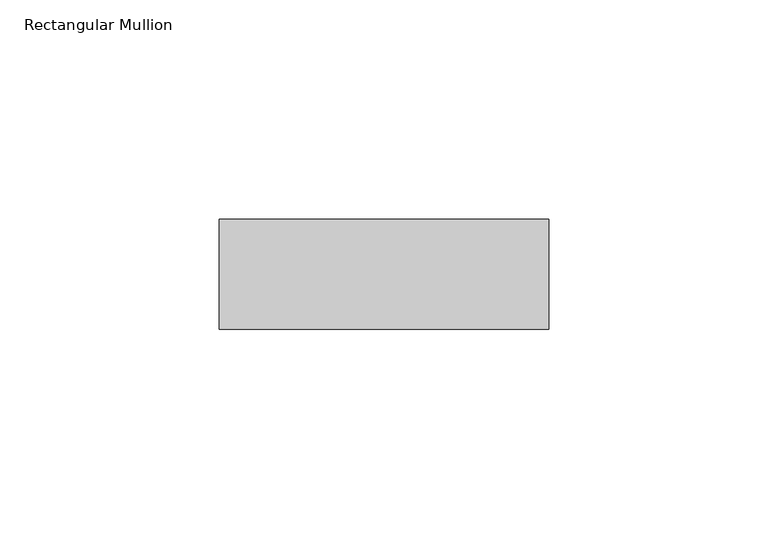
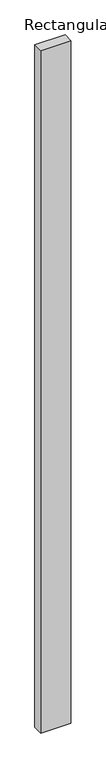
"""IFC4 building model written with IfcOpenShell, lengths in millimetres: member geometry, Rectangular Mullion."""

from ifc_helpers import new_model, si_unit, frame, origin, place, context, project, spatial, polyline, outline, extrude, source, transform, mapped, element, save


def rectangular_mullion_fc813453(model_context):
    return source(origin(), model_context, "Body", "SweptSolid", [
        extrude(outline(polyline([(50.0, -2.5), (50.0, -27.5), (-25.0, -27.5), (-25.0, -2.5), (50.0, -2.5)])), frame((0.0, 0.0, -1791.0), z_axis=(0.0, 0.0, 1.0), x_axis=(1.0, 0.0, 0.0)), (0.0, 0.0, 1.0), 1791.0),
    ])


if __name__ == "__main__":
    model = new_model("IFC4")
    model_context = context("Model", 3, world=origin())
    ifc_project = project(units=[si_unit("LENGTHUNIT", "METRE", prefix="MILLI")], contexts=[model_context])
    site = spatial("IfcSite", under=ifc_project)
    building = spatial("IfcBuilding", under=site)
    placement = place(None, origin())
    rectangular_mullion_shape = rectangular_mullion_fc813453(model_context)
    element("IfcMember", 1, ObjectType="Rectangular Mullion", at=placement, inside=building, context=model_context, shape_type="MappedRepresentation", body=[
        mapped(rectangular_mullion_shape, transform((0.0, 0.0, 0.0), x_axis=(1.0, 0.0, 0.0), y_axis=(0.0, 1.0, 0.0), z_axis=(0.0, 0.0, 1.0))),
    ])
    save(model, "model.ifc")
